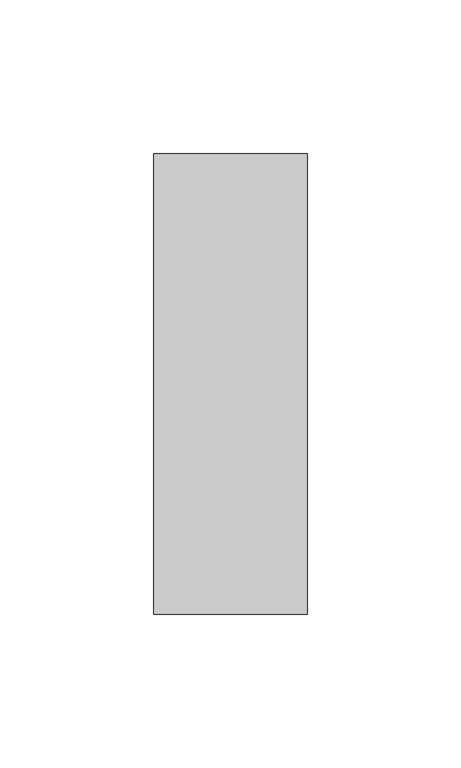
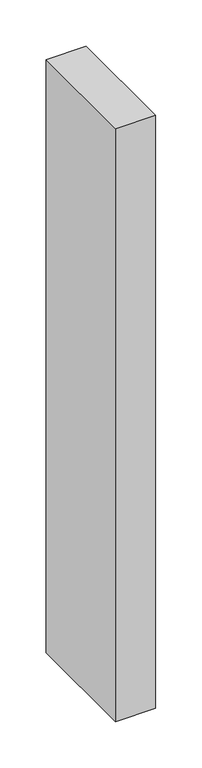
"""IFC4 building model written with IfcOpenShell, lengths in millimetres: member geometry."""

from ifc_helpers import new_model, si_unit, frame, origin, place, context, project, spatial, polyline, outline, extrude, source, transform, mapped, element, save


def member_14014a91(model_context):
    return source(origin(), model_context, "Body", "SweptSolid", [
        extrude(outline(polyline([(0.0, 75.0), (0.0, -75.0), (-50.0, -75.0), (-50.0, 75.0), (0.0, 75.0)])), frame((0.0, 0.0, -781.8168429), z_axis=(0.0, 0.0, 1.0), x_axis=(1.0, 0.0, 0.0)), (0.0, 0.0, 1.0), 781.8168429),
    ])


if __name__ == "__main__":
    model = new_model("IFC4")
    model_context = context("Model", 3, world=origin())
    ifc_project = project(units=[si_unit("LENGTHUNIT", "METRE", prefix="MILLI")], contexts=[model_context])
    site = spatial("IfcSite", under=ifc_project)
    building = spatial("IfcBuilding", under=site)
    placement = place(None, origin())
    member_shape = member_14014a91(model_context)
    element("IfcMember", 1, at=placement, inside=building, context=model_context, shape_type="MappedRepresentation", body=[
        mapped(member_shape, transform((0.0, 0.0, 0.0), x_axis=(1.0, 0.0, 0.0), y_axis=(0.0, 1.0, 0.0), z_axis=(0.0, 0.0, 1.0))),
    ])
    save(model, "model.ifc")
